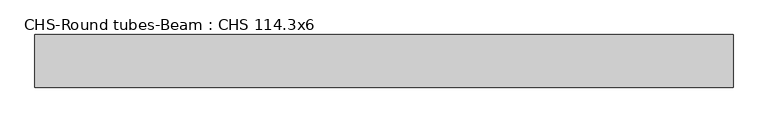
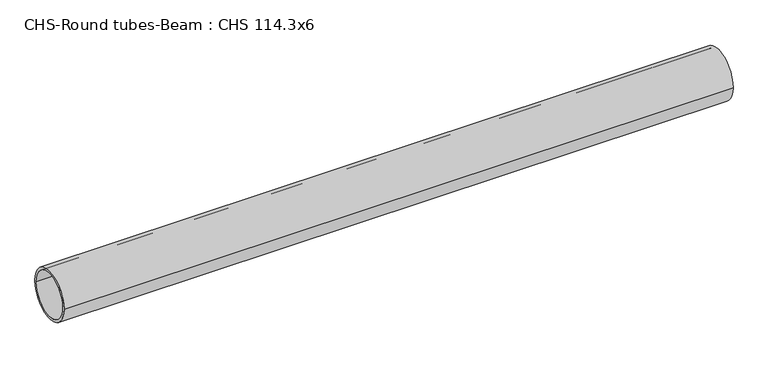
"""IFC4 building model written with IfcOpenShell, lengths in millimetres: beam geometry, CHS-Round tubes-Beam : CHS 114.3x6."""

from ifc_helpers import new_model, si_unit, point, frame, origin, origin_2d, place, context, project, spatial, circle_curve, trimmed, segment, composite_curve, outline, extrude, source, transform, mapped, element, save


def chs_round_tubes_beam_chs_114_3x6_7d69163a(model_context):
    return source(origin(), model_context, "Body", "SweptSolid", [
        extrude(outline(composite_curve([segment(trimmed(circle_curve(origin_2d(), 57.15), [point((57.15, 0.0))], [point((-57.15, 0.0))], False, "CARTESIAN"), True, "CONTINUOUS"), segment(trimmed(circle_curve(origin_2d(), 57.15), [point((-57.15, 0.0))], [point((57.15, 0.0))], False, "CARTESIAN"), True, "CONTINUOUS")], self_intersect=False), holes=[composite_curve([segment(trimmed(circle_curve(origin_2d(), 51.15), [point((51.15, 0.0))], [point((-51.15, 0.0))], True, "CARTESIAN"), True, "CONTINUOUS"), segment(trimmed(circle_curve(origin_2d(), 51.15), [point((-51.15, 0.0))], [point((51.15, 0.0))], True, "CARTESIAN"), True, "CONTINUOUS")], self_intersect=False)]), frame((-736.8504525, 0.0, 0.0), z_axis=(1.0, 0.0, 0.0), x_axis=(0.0, 1.0, 0.0)), (0.0, 0.0, 1.0), 1517.132142),
    ])


if __name__ == "__main__":
    model = new_model("IFC4")
    model_context = context("Model", 3, world=origin())
    ifc_project = project(units=[si_unit("LENGTHUNIT", "METRE", prefix="MILLI")], contexts=[model_context])
    site = spatial("IfcSite", under=ifc_project)
    building = spatial("IfcBuilding", under=site)
    placement = place(None, origin())
    chs_round_tubes_beam_chs_114_3x6_shape = chs_round_tubes_beam_chs_114_3x6_7d69163a(model_context)
    element("IfcBeam", 1, ObjectType="CHS-Round tubes-Beam : CHS 114.3x6", at=placement, inside=building, context=model_context, shape_type="MappedRepresentation", body=[
        mapped(chs_round_tubes_beam_chs_114_3x6_shape, transform((0.0, 0.0, 0.0), x_axis=(1.0, 0.0, 0.0), y_axis=(0.0, 1.0, 0.0), z_axis=(0.0, 0.0, 1.0))),
    ])
    save(model, "model.ifc")
